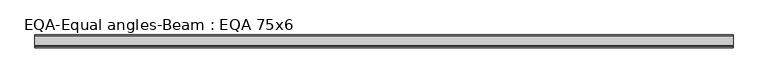
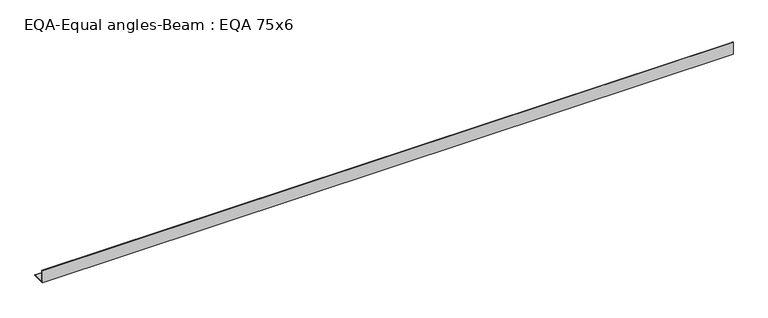
"""IFC4 building model written with IfcOpenShell, lengths in millimetres: beam geometry, EQA-Equal angles-Beam : EQA 75x6."""

import ifcopenshell
import ifcopenshell.guid

model = None  # the IFC model being written
_history = None  # IfcOwnerHistory: only IFC2X3 demands one
_inside = {}  # id of a spatial element -> (the spatial element, [elements in it])
_under = {}  # id of a project, library or spatial element -> (it, [spatial elements below it])
_declared = {}  # id of a project -> (the project, [libraries it declares])
_typed = {}  # id of a type object -> (the type object, [elements of that type])
_made_of = {}  # id of a material, layer set ... -> (it, [elements and type objects made of it])


def new_model(schema):
    """Start an empty IFC model of exactly this schema.

    Asked for "IFC4X3", IfcOpenShell would pick the latest addendum, in which some entities
    have other attributes; the version numbers below select the first issue.
    IFC2X3 requires an IfcOwnerHistory on every rooted entity: one is made here for all.
    """
    global model, _history
    if schema == "IFC4X3":
        model = ifcopenshell.file(schema_version=(4, 3, 0, 0))
    else:
        model = ifcopenshell.file(schema=schema)
    _inside.clear()
    _under.clear()
    _declared.clear()
    _typed.clear()
    _made_of.clear()
    _history = None
    if model.schema == "IFC2X3":
        org = make("IfcOrganization", Name="unknown")
        user = make(
            "IfcPersonAndOrganization",
            ThePerson=make("IfcPerson", FamilyName="unknown"),
            TheOrganization=org,
        )
        app = make(
            "IfcApplication",
            ApplicationDeveloper=org,
            Version="unknown",
            ApplicationFullName="unknown",
            ApplicationIdentifier="unknown",
        )
        _history = make(
            "IfcOwnerHistory",
            OwningUser=user,
            OwningApplication=app,
            ChangeAction="ADDED",
            CreationDate=0,
        )
    return model


def make(cls, **values):
    """One entity of the class cls with the attributes given. An attribute that is None is left unset."""
    return model.create_entity(
        cls, **{name: value for name, value in values.items() if value is not None}
    )


def rooted(cls, **values):
    """An entity with a GlobalId (a new one), such as an element, a storey or a relation."""
    return make(cls, GlobalId=ifcopenshell.guid.new(), OwnerHistory=_history, **values)


def si_unit(unit_type, name, prefix=None):
    """IfcSIUnit, for example si_unit("LENGTHUNIT", "METRE", prefix="MILLI")."""
    return make("IfcSIUnit", UnitType=unit_type, Prefix=prefix, Name=name)


def assignment(units):
    """IfcUnitAssignment: the units of a project."""
    return None if units is None else make("IfcUnitAssignment", Units=units)


def point(xyz):
    """IfcCartesianPoint."""
    return None if xyz is None else make("IfcCartesianPoint", Coordinates=xyz)


def direction(xyz):
    """IfcDirection."""
    return None if xyz is None else make("IfcDirection", DirectionRatios=xyz)


def frame(location, z_axis=None, x_axis=None):
    """IfcAxis2Placement3D, a coordinate frame: its origin and axes. An axis left out is left unset."""
    return make(
        "IfcAxis2Placement3D",
        Location=point(location),
        Axis=direction(z_axis),
        RefDirection=direction(x_axis),
    )


def frame_2d(location, x_axis=None):
    """IfcAxis2Placement2D, a coordinate frame in the plane: its origin and x axis."""
    return make(
        "IfcAxis2Placement2D", Location=point(location), RefDirection=direction(x_axis)
    )


def origin():
    """The frame at (0, 0, 0) with its axes left unset."""
    return frame((0.0, 0.0, 0.0))


def place(relative_to, where):
    """IfcLocalPlacement: puts the frame where relative to a parent placement (None: the world)."""
    return make(
        "IfcLocalPlacement", PlacementRelTo=relative_to, RelativePlacement=where
    )


def context(
    kind, dimensions, precision=None, world=None, true_north=None, identifier=None
):
    """IfcGeometricRepresentationContext, for example the 3D "Model" context."""
    return make(
        "IfcGeometricRepresentationContext",
        ContextIdentifier=identifier,
        ContextType=kind,
        CoordinateSpaceDimension=dimensions,
        Precision=precision,
        WorldCoordinateSystem=world,
        TrueNorth=true_north,
    )


def project(units=None, contexts=None):
    """IfcProject with its units and contexts."""
    return rooted(
        "IfcProject",
        Name="project",
        RepresentationContexts=contexts,
        UnitsInContext=assignment(units),
    )


def spatial(cls, under=None, at=None, **own):
    """A site, building, storey or space (cls), placed at a placement, below another one or the project."""
    s = rooted(cls, ObjectPlacement=at, **own)
    if under is not None:
        _under.setdefault(under.id(), (under, []))[1].append(s)
    return s


def polyline(points):
    """IfcPolyline through the points."""
    return make("IfcPolyline", Points=[point(p) for p in points])


def circle_curve(where, radius):
    """IfcCircle in the frame where."""
    return make("IfcCircle", Position=where, Radius=radius)


def trimmed(basis, trim1, trim2, sense, master):
    """IfcTrimmedCurve: the piece of a basis curve between two trims."""
    return make(
        "IfcTrimmedCurve",
        BasisCurve=basis,
        Trim1=trim1,
        Trim2=trim2,
        SenseAgreement=sense,
        MasterRepresentation=master,
    )


def segment(curve, same_sense, transition):
    """IfcCompositeCurveSegment."""
    return make(
        "IfcCompositeCurveSegment",
        Transition=transition,
        SameSense=same_sense,
        ParentCurve=curve,
    )


def composite_curve(segments, self_intersect=None):
    """IfcCompositeCurve: segments joined end to end."""
    return make("IfcCompositeCurve", Segments=segments, SelfIntersect=self_intersect)


def outline(outer, holes=None, kind="AREA"):
    """IfcArbitraryClosedProfileDef: a profile drawn as a closed curve; with holes, ...WithVoids."""
    if holes is None:
        return make("IfcArbitraryClosedProfileDef", ProfileType=kind, OuterCurve=outer)
    return make(
        "IfcArbitraryProfileDefWithVoids",
        ProfileType=kind,
        OuterCurve=outer,
        InnerCurves=holes,
    )


def extrude(swept, where, along, depth):
    """IfcExtrudedAreaSolid: the profile swept, set in the frame where, extruded along a direction by depth."""
    return make(
        "IfcExtrudedAreaSolid",
        SweptArea=swept,
        Position=where,
        ExtrudedDirection=direction(along),
        Depth=depth,
    )


def shape(context_of_items, identifier, shape_type, items):
    """IfcShapeRepresentation: the items that make up one representation, for example the "Body"."""
    return make(
        "IfcShapeRepresentation",
        ContextOfItems=context_of_items,
        RepresentationIdentifier=identifier,
        RepresentationType=shape_type,
        Items=items,
    )


def source(mapping_origin, context_of_items, identifier, shape_type, items):
    """IfcRepresentationMap: a shape defined once, which mapped items show again and again."""
    return make(
        "IfcRepresentationMap",
        MappingOrigin=mapping_origin,
        MappedRepresentation=shape(context_of_items, identifier, shape_type, items),
    )


def transform(
    local_origin,
    x_axis=None,
    y_axis=None,
    z_axis=None,
    scale=None,
    scale2=None,
    scale3=None,
    uniform=True,
):
    """IfcCartesianTransformationOperator3D, or its non-uniform kind. x_axis, y_axis, z_axis: its Axis1, 2, 3."""
    if uniform:
        return make(
            "IfcCartesianTransformationOperator3D",
            Axis1=direction(x_axis),
            Axis2=direction(y_axis),
            LocalOrigin=point(local_origin),
            Scale=scale,
            Axis3=direction(z_axis),
        )
    return make(
        "IfcCartesianTransformationOperator3DnonUniform",
        Axis1=direction(x_axis),
        Axis2=direction(y_axis),
        LocalOrigin=point(local_origin),
        Scale=scale,
        Axis3=direction(z_axis),
        Scale2=scale2,
        Scale3=scale3,
    )


def mapped(mapping_source, mapping_target):
    """IfcMappedItem: shows the shape of a source again, moved by a transform."""
    return make(
        "IfcMappedItem", MappingSource=mapping_source, MappingTarget=mapping_target
    )


def made_of(thing, what):
    """Note that an element or type object is made of a material, layer set ...; save() writes the relation."""
    if what is not None:
        _made_of.setdefault(what.id(), (what, []))[1].append(thing)
    return thing


def element(
    cls,
    number,
    at=None,
    inside=None,
    cuts=None,
    type_object=None,
    material=None,
    context=None,
    identifier="Body",
    shape_type=None,
    held_by="IfcProductDefinitionShape",
    body=None,
    shapes=None,
    **own,
):
    """One element of the class cls, such as IfcWall. Its Tag is "e" and its number.

    at: its placement. inside: the storey or other place that contains it. cuts: it is an
    opening in that element (IfcRelVoidsElement). A single representation is given by context,
    identifier, shape_type and body (its items); several are given by shapes. held_by: the class
    of the entity that holds the representations. save() writes the other relations.
    """
    e = rooted(cls, Tag="e%d" % number, ObjectPlacement=at, **own)
    if body is not None:
        shapes = [shape(context, identifier, shape_type, body)]
    if shapes is not None:
        e.Representation = make(held_by, Representations=shapes)
    if inside is not None:
        _inside.setdefault(inside.id(), (inside, []))[1].append(e)
    if cuts is not None:
        rooted(
            "IfcRelVoidsElement", RelatingBuildingElement=cuts, RelatedOpeningElement=e
        )
    if type_object is not None:
        _typed.setdefault(type_object.id(), (type_object, []))[1].append(e)
    return made_of(e, material)


def aggregate(whole, parts):
    """IfcRelAggregates: a whole, such as a stair, and the parts it consists of."""
    return rooted("IfcRelAggregates", RelatingObject=whole, RelatedObjects=parts)


def save(model, path):
    """Write the relations noted so far, then the file.

    IfcRelAggregates (storeys below a building ...), IfcRelContainedInSpatialStructure (elements
    in a storey), IfcRelDefinesByType, IfcRelAssociatesMaterial and IfcRelDeclares: one each for
    every whole, place, type object, material and project.
    """
    for whole, parts in _under.values():
        aggregate(whole, parts)
    for where, things in _inside.values():
        rooted(
            "IfcRelContainedInSpatialStructure",
            RelatedElements=things,
            RelatingStructure=where,
        )
    for kind, things in _typed.values():
        rooted("IfcRelDefinesByType", RelatedObjects=things, RelatingType=kind)
    for what, things in _made_of.values():
        rooted("IfcRelAssociatesMaterial", RelatedObjects=things, RelatingMaterial=what)
    for by, libraries in _declared.values():
        rooted("IfcRelDeclares", RelatingContext=by, RelatedDefinitions=libraries)
    model.write(path)


def eqa_equal_angles_beam_eqa_75x6_fb139bbc(model_context):
    return source(origin(), model_context, "Body", "SweptSolid", [
        extrude(outline(composite_curve([segment(polyline([(-20.5, -20.5), (-20.5, 54.5), (-19.0, 54.5)]), True, "CONTINUOUS"), segment(trimmed(circle_curve(frame_2d((-19.0, 50.0)), 4.5), [point((-19.0, 54.5))], [point((-14.5, 50.0))], False, "CARTESIAN"), True, "CONTINUOUS"), segment(polyline([(-14.5, 50.0), (-14.5, -5.5)]), True, "CONTINUOUS"), segment(trimmed(circle_curve(frame_2d((-5.5, -5.5)), 9.0), [point((-14.5, -5.5))], [point((-5.5, -14.5))], True, "CARTESIAN"), True, "CONTINUOUS"), segment(polyline([(-5.5, -14.5), (50.0, -14.5)]), True, "CONTINUOUS"), segment(trimmed(circle_curve(frame_2d((50.0, -19.0)), 4.5), [point((50.0, -14.5))], [point((54.5, -19.0))], False, "CARTESIAN"), True, "CONTINUOUS"), segment(polyline([(54.5, -19.0), (54.5, -20.5), (-20.5, -20.5)]), True, "CONTINUOUS")], self_intersect=False)), frame((-2003.8619501, 0.0, 0.0), z_axis=(1.0, 0.0, 0.0), x_axis=(0.0, 1.0, 0.0)), (0.0, 0.0, 1.0), 4019.0346738),
    ])


if __name__ == "__main__":
    model = new_model("IFC4")
    model_context = context("Model", 3, world=origin())
    ifc_project = project(units=[si_unit("LENGTHUNIT", "METRE", prefix="MILLI")], contexts=[model_context])
    site = spatial("IfcSite", under=ifc_project)
    building = spatial("IfcBuilding", under=site)
    placement = place(None, origin())
    eqa_equal_angles_beam_eqa_75x6_shape = eqa_equal_angles_beam_eqa_75x6_fb139bbc(model_context)
    element("IfcBeam", 1, ObjectType="EQA-Equal angles-Beam : EQA 75x6", at=placement, inside=building, context=model_context, shape_type="MappedRepresentation", body=[
        mapped(eqa_equal_angles_beam_eqa_75x6_shape, transform((0.0, 0.0, 0.0), x_axis=(1.0, 0.0, 0.0), y_axis=(0.0, 1.0, 0.0), z_axis=(0.0, 0.0, 1.0))),
    ])
    save(model, "model.ifc")
